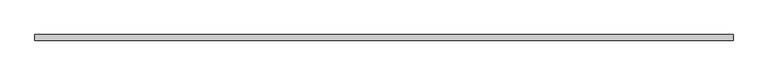
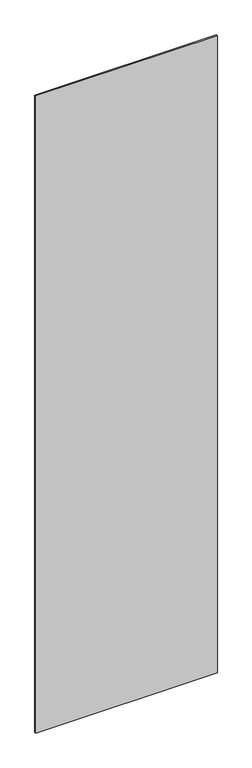
"""IFC4 building model written with IfcOpenShell, lengths in millimetres: plate geometry."""

from ifc_helpers import new_model, si_unit, origin, origin_with_axes, place, context, project, spatial, polyline, outline, extrude, source, transform, mapped, element, save


def plate_c5bdbefa(model_context):
    return source(origin(), model_context, "Body", "SweptSolid", [
        extrude(outline(polyline([(588.3204416, -5.0), (-588.3204416, -5.0), (-588.3204416, 5.0), (588.3204416, 5.0), (588.3204416, -5.0)])), origin_with_axes(), (0.0, 0.0, 1.0), 4360.0),
    ])


if __name__ == "__main__":
    model = new_model("IFC4")
    model_context = context("Model", 3, world=origin())
    ifc_project = project(units=[si_unit("LENGTHUNIT", "METRE", prefix="MILLI")], contexts=[model_context])
    site = spatial("IfcSite", under=ifc_project)
    building = spatial("IfcBuilding", under=site)
    placement = place(None, origin())
    plate_shape = plate_c5bdbefa(model_context)
    element("IfcPlate", 1, at=placement, inside=building, context=model_context, shape_type="MappedRepresentation", body=[
        mapped(plate_shape, transform((0.0, 0.0, 0.0), x_axis=(1.0, 0.0, 0.0), y_axis=(0.0, 1.0, 0.0), z_axis=(0.0, 0.0, 1.0))),
    ])
    save(model, "model.ifc")
